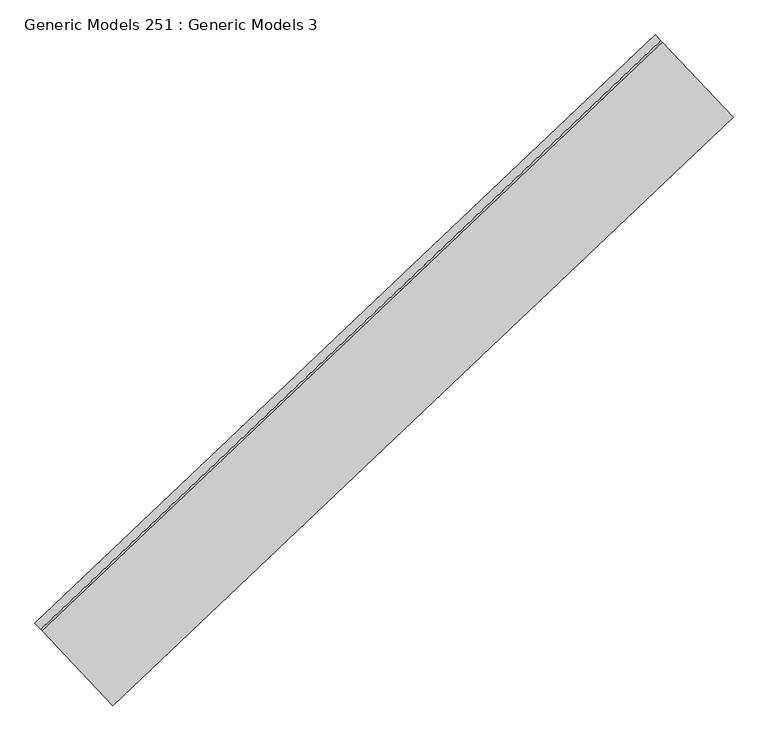
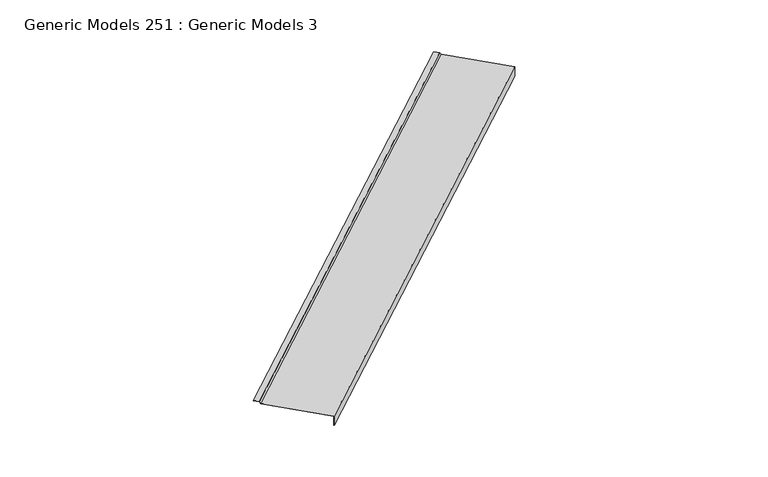
"""IFC4 building model written with IfcOpenShell, lengths in millimetres: proxy geometry, Generic Models 251 : Generic Models 3."""

import ifcopenshell
import ifcopenshell.guid

model = None  # the IFC model being written
_history = None  # IfcOwnerHistory: only IFC2X3 demands one
_inside = {}  # id of a spatial element -> (the spatial element, [elements in it])
_under = {}  # id of a project, library or spatial element -> (it, [spatial elements below it])
_declared = {}  # id of a project -> (the project, [libraries it declares])
_typed = {}  # id of a type object -> (the type object, [elements of that type])
_made_of = {}  # id of a material, layer set ... -> (it, [elements and type objects made of it])


def new_model(schema):
    """Start an empty IFC model of exactly this schema.

    Asked for "IFC4X3", IfcOpenShell would pick the latest addendum, in which some entities
    have other attributes; the version numbers below select the first issue.
    IFC2X3 requires an IfcOwnerHistory on every rooted entity: one is made here for all.
    """
    global model, _history
    if schema == "IFC4X3":
        model = ifcopenshell.file(schema_version=(4, 3, 0, 0))
    else:
        model = ifcopenshell.file(schema=schema)
    _inside.clear()
    _under.clear()
    _declared.clear()
    _typed.clear()
    _made_of.clear()
    _history = None
    if model.schema == "IFC2X3":
        org = make("IfcOrganization", Name="unknown")
        user = make(
            "IfcPersonAndOrganization",
            ThePerson=make("IfcPerson", FamilyName="unknown"),
            TheOrganization=org,
        )
        app = make(
            "IfcApplication",
            ApplicationDeveloper=org,
            Version="unknown",
            ApplicationFullName="unknown",
            ApplicationIdentifier="unknown",
        )
        _history = make(
            "IfcOwnerHistory",
            OwningUser=user,
            OwningApplication=app,
            ChangeAction="ADDED",
            CreationDate=0,
        )
    return model


def make(cls, **values):
    """One entity of the class cls with the attributes given. An attribute that is None is left unset."""
    return model.create_entity(
        cls, **{name: value for name, value in values.items() if value is not None}
    )


def rooted(cls, **values):
    """An entity with a GlobalId (a new one), such as an element, a storey or a relation."""
    return make(cls, GlobalId=ifcopenshell.guid.new(), OwnerHistory=_history, **values)


def si_unit(unit_type, name, prefix=None):
    """IfcSIUnit, for example si_unit("LENGTHUNIT", "METRE", prefix="MILLI")."""
    return make("IfcSIUnit", UnitType=unit_type, Prefix=prefix, Name=name)


def assignment(units):
    """IfcUnitAssignment: the units of a project."""
    return None if units is None else make("IfcUnitAssignment", Units=units)


def point(xyz):
    """IfcCartesianPoint."""
    return None if xyz is None else make("IfcCartesianPoint", Coordinates=xyz)


def direction(xyz):
    """IfcDirection."""
    return None if xyz is None else make("IfcDirection", DirectionRatios=xyz)


def frame(location, z_axis=None, x_axis=None):
    """IfcAxis2Placement3D, a coordinate frame: its origin and axes. An axis left out is left unset."""
    return make(
        "IfcAxis2Placement3D",
        Location=point(location),
        Axis=direction(z_axis),
        RefDirection=direction(x_axis),
    )


def origin():
    """The frame at (0, 0, 0) with its axes left unset."""
    return frame((0.0, 0.0, 0.0))


def place(relative_to, where):
    """IfcLocalPlacement: puts the frame where relative to a parent placement (None: the world)."""
    return make(
        "IfcLocalPlacement", PlacementRelTo=relative_to, RelativePlacement=where
    )


def context(
    kind, dimensions, precision=None, world=None, true_north=None, identifier=None
):
    """IfcGeometricRepresentationContext, for example the 3D "Model" context."""
    return make(
        "IfcGeometricRepresentationContext",
        ContextIdentifier=identifier,
        ContextType=kind,
        CoordinateSpaceDimension=dimensions,
        Precision=precision,
        WorldCoordinateSystem=world,
        TrueNorth=true_north,
    )


def project(units=None, contexts=None):
    """IfcProject with its units and contexts."""
    return rooted(
        "IfcProject",
        Name="project",
        RepresentationContexts=contexts,
        UnitsInContext=assignment(units),
    )


def spatial(cls, under=None, at=None, **own):
    """A site, building, storey or space (cls), placed at a placement, below another one or the project."""
    s = rooted(cls, ObjectPlacement=at, **own)
    if under is not None:
        _under.setdefault(under.id(), (under, []))[1].append(s)
    return s


def polyline(points):
    """IfcPolyline through the points."""
    return make("IfcPolyline", Points=[point(p) for p in points])


def outline(outer, holes=None, kind="AREA"):
    """IfcArbitraryClosedProfileDef: a profile drawn as a closed curve; with holes, ...WithVoids."""
    if holes is None:
        return make("IfcArbitraryClosedProfileDef", ProfileType=kind, OuterCurve=outer)
    return make(
        "IfcArbitraryProfileDefWithVoids",
        ProfileType=kind,
        OuterCurve=outer,
        InnerCurves=holes,
    )


def extrude(swept, where, along, depth):
    """IfcExtrudedAreaSolid: the profile swept, set in the frame where, extruded along a direction by depth."""
    return make(
        "IfcExtrudedAreaSolid",
        SweptArea=swept,
        Position=where,
        ExtrudedDirection=direction(along),
        Depth=depth,
    )


def shape(context_of_items, identifier, shape_type, items):
    """IfcShapeRepresentation: the items that make up one representation, for example the "Body"."""
    return make(
        "IfcShapeRepresentation",
        ContextOfItems=context_of_items,
        RepresentationIdentifier=identifier,
        RepresentationType=shape_type,
        Items=items,
    )


def source(mapping_origin, context_of_items, identifier, shape_type, items):
    """IfcRepresentationMap: a shape defined once, which mapped items show again and again."""
    return make(
        "IfcRepresentationMap",
        MappingOrigin=mapping_origin,
        MappedRepresentation=shape(context_of_items, identifier, shape_type, items),
    )


def transform(
    local_origin,
    x_axis=None,
    y_axis=None,
    z_axis=None,
    scale=None,
    scale2=None,
    scale3=None,
    uniform=True,
):
    """IfcCartesianTransformationOperator3D, or its non-uniform kind. x_axis, y_axis, z_axis: its Axis1, 2, 3."""
    if uniform:
        return make(
            "IfcCartesianTransformationOperator3D",
            Axis1=direction(x_axis),
            Axis2=direction(y_axis),
            LocalOrigin=point(local_origin),
            Scale=scale,
            Axis3=direction(z_axis),
        )
    return make(
        "IfcCartesianTransformationOperator3DnonUniform",
        Axis1=direction(x_axis),
        Axis2=direction(y_axis),
        LocalOrigin=point(local_origin),
        Scale=scale,
        Axis3=direction(z_axis),
        Scale2=scale2,
        Scale3=scale3,
    )


def mapped(mapping_source, mapping_target):
    """IfcMappedItem: shows the shape of a source again, moved by a transform."""
    return make(
        "IfcMappedItem", MappingSource=mapping_source, MappingTarget=mapping_target
    )


def made_of(thing, what):
    """Note that an element or type object is made of a material, layer set ...; save() writes the relation."""
    if what is not None:
        _made_of.setdefault(what.id(), (what, []))[1].append(thing)
    return thing


def element(
    cls,
    number,
    at=None,
    inside=None,
    cuts=None,
    type_object=None,
    material=None,
    context=None,
    identifier="Body",
    shape_type=None,
    held_by="IfcProductDefinitionShape",
    body=None,
    shapes=None,
    **own,
):
    """One element of the class cls, such as IfcWall. Its Tag is "e" and its number.

    at: its placement. inside: the storey or other place that contains it. cuts: it is an
    opening in that element (IfcRelVoidsElement). A single representation is given by context,
    identifier, shape_type and body (its items); several are given by shapes. held_by: the class
    of the entity that holds the representations. save() writes the other relations.
    """
    e = rooted(cls, Tag="e%d" % number, ObjectPlacement=at, **own)
    if body is not None:
        shapes = [shape(context, identifier, shape_type, body)]
    if shapes is not None:
        e.Representation = make(held_by, Representations=shapes)
    if inside is not None:
        _inside.setdefault(inside.id(), (inside, []))[1].append(e)
    if cuts is not None:
        rooted(
            "IfcRelVoidsElement", RelatingBuildingElement=cuts, RelatedOpeningElement=e
        )
    if type_object is not None:
        _typed.setdefault(type_object.id(), (type_object, []))[1].append(e)
    return made_of(e, material)


def aggregate(whole, parts):
    """IfcRelAggregates: a whole, such as a stair, and the parts it consists of."""
    return rooted("IfcRelAggregates", RelatingObject=whole, RelatedObjects=parts)


def save(model, path):
    """Write the relations noted so far, then the file.

    IfcRelAggregates (storeys below a building ...), IfcRelContainedInSpatialStructure (elements
    in a storey), IfcRelDefinesByType, IfcRelAssociatesMaterial and IfcRelDeclares: one each for
    every whole, place, type object, material and project.
    """
    for whole, parts in _under.values():
        aggregate(whole, parts)
    for where, things in _inside.values():
        rooted(
            "IfcRelContainedInSpatialStructure",
            RelatedElements=things,
            RelatingStructure=where,
        )
    for kind, things in _typed.values():
        rooted("IfcRelDefinesByType", RelatedObjects=things, RelatingType=kind)
    for what, things in _made_of.values():
        rooted("IfcRelAssociatesMaterial", RelatedObjects=things, RelatingMaterial=what)
    for by, libraries in _declared.values():
        rooted("IfcRelDeclares", RelatingContext=by, RelatedDefinitions=libraries)
    model.write(path)


def generic_models_251_generic_models_3_b26c0aa7(model_context):
    return source(origin(), model_context, "Body", "SweptSolid", [
        extrude(outline(polyline([(204.032916, 0.0), (204.032916, 80.0376793), (205.6204159, 80.0376793), (205.6204159, -1.5875), (-339.7407299, -1.5875), (-351.0633306, -15.08125), (-394.7942126, -15.08125), (-394.7942126, -13.49375), (-351.803594, -13.49375), (-340.4809933, 0.0), (204.032916, 0.0)])), frame((108117.6778073, 48495.256748, 18699.2322001), z_axis=(0.7253743710122987, 0.6883545756937425, 0.0), x_axis=(0.6883545756937425, -0.7253743710122987, 0.0)), (0.0, 0.0, 1.0), 4530.725),
    ])


if __name__ == "__main__":
    model = new_model("IFC4")
    model_context = context("Model", 3, world=origin())
    ifc_project = project(units=[si_unit("LENGTHUNIT", "METRE", prefix="MILLI")], contexts=[model_context])
    site = spatial("IfcSite", under=ifc_project)
    building = spatial("IfcBuilding", under=site)
    placement = place(None, origin())
    generic_models_251_generic_models_3_shape = generic_models_251_generic_models_3_b26c0aa7(model_context)
    element("IfcBuildingElementProxy", 1, Name="Generic Models 251 : Generic Models 3", ObjectType="Generic Models 251 : Generic Models 3", at=placement, inside=building, context=model_context, shape_type="MappedRepresentation", body=[
        mapped(generic_models_251_generic_models_3_shape, transform((0.0, 0.0, 0.0), x_axis=(1.0, 0.0, 0.0), y_axis=(0.0, 1.0, 0.0), z_axis=(0.0, 0.0, 1.0))),
    ])
    save(model, "model.ifc")
